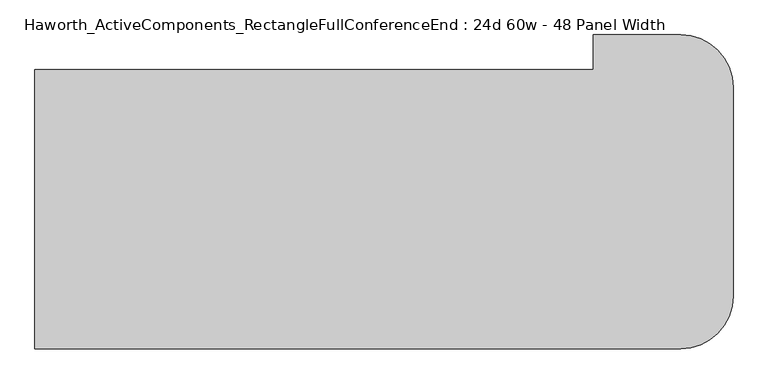
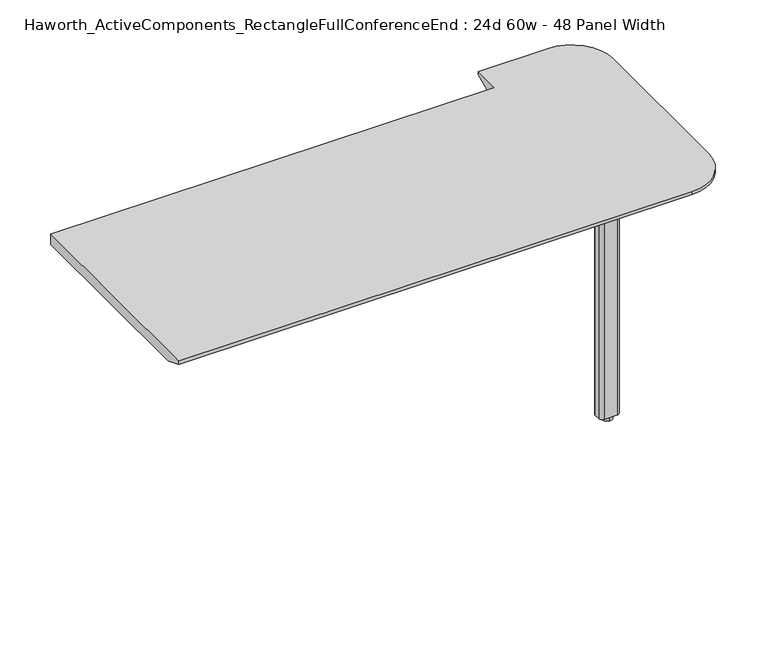
"""IFC4 building model written with IfcOpenShell, lengths in millimetres: furniture geometry, Haworth_ActiveComponents_RectangleFullConferenceEnd : 24d 60w - 48 Panel Width."""

from ifc_helpers import new_model, si_unit, point, frame, frame_2d, origin, origin_with_axes, place, context, project, spatial, polyline, circle_curve, trimmed, segment, composite_curve, outline, extrude, source, transform, mapped, element, save
from ifc_brep_helpers import plane_surface, cylinder_surface, revolved_surface, advanced_brep


def haworth_activecomponents_rectanglefullconferenceend_24d_60w_68f06d65(model_context):
    return source(origin(), model_context, "Body", "SolidModel", [
        extrude(outline(composite_curve([segment(trimmed(circle_curve(frame_2d((910.43125, -234.6784766)), 9.525), [point((900.90625, -234.6784766))], [point((910.43125, -225.1534766))], False, "CARTESIAN"), True, "CONTINUOUS"), segment(polyline([(910.43125, -225.1534766), (1043.78125, -225.1534766)]), True, "CONTINUOUS"), segment(trimmed(circle_curve(frame_2d((1043.78125, -234.6784766)), 9.525), [point((1043.78125, -225.1534766))], [point((1053.30625, -234.6784766))], False, "CARTESIAN"), True, "CONTINUOUS"), segment(polyline([(1053.30625, -234.6784766), (1053.30625, -368.0284766)]), True, "CONTINUOUS"), segment(trimmed(circle_curve(frame_2d((1043.78125, -368.0284766)), 9.525), [point((1053.30625, -368.0284766))], [point((1043.78125, -377.5534766))], False, "CARTESIAN"), True, "CONTINUOUS"), segment(polyline([(1043.78125, -377.5534766), (910.43125, -377.5534766)]), True, "CONTINUOUS"), segment(trimmed(circle_curve(frame_2d((910.43125, -368.0284766)), 9.525), [point((910.43125, -377.5534766))], [point((900.90625, -368.0284766))], False, "CARTESIAN"), True, "CONTINUOUS"), segment(polyline([(900.90625, -368.0284766), (900.90625, -234.6784766)]), True, "CONTINUOUS")], self_intersect=False)), frame((0.0, 0.0, 706.4375), z_axis=(0.0, 0.0, 1.0), x_axis=(1.0, 0.0, 0.0)), (0.0, 0.0, 1.0), 4.7625),
        extrude(outline(composite_curve([segment(trimmed(circle_curve(frame_2d((977.10625, -301.3534766)), 13.6023831), [point((977.10625, -314.9558596))], [point((977.10625, -287.7510935))], False, "CARTESIAN"), True, "CONTINUOUS"), segment(trimmed(circle_curve(frame_2d((977.10625, -301.3534766)), 13.6023831), [point((977.10625, -287.7510935))], [point((977.10625, -314.9558596))], False, "CARTESIAN"), True, "CONTINUOUS")], self_intersect=False)), origin_with_axes(), (0.0, 0.0, 1.0), 12.7),
        extrude(outline(composite_curve([segment(trimmed(circle_curve(frame_2d((958.85, -293.4159766)), 9.525), [point((949.325, -293.4159766))], [point((958.85, -283.8909766))], False, "CARTESIAN"), True, "CONTINUOUS"), segment(polyline([(958.85, -283.8909766), (995.3625, -283.8909766)]), True, "CONTINUOUS"), segment(trimmed(circle_curve(frame_2d((995.3625, -293.4159766)), 9.525), [point((995.3625, -283.8909766))], [point((1004.8875, -293.4159766))], False, "CARTESIAN"), True, "CONTINUOUS"), segment(polyline([(1004.8875, -293.4159766), (1004.8875, -309.2909766)]), True, "CONTINUOUS"), segment(trimmed(circle_curve(frame_2d((995.3625, -309.2909766)), 9.525), [point((1004.8875, -309.2909766))], [point((995.3625, -318.8159766))], False, "CARTESIAN"), True, "CONTINUOUS"), segment(polyline([(995.3625, -318.8159766), (958.85, -318.8159766)]), True, "CONTINUOUS"), segment(trimmed(circle_curve(frame_2d((958.85, -309.2909766)), 9.525), [point((958.85, -318.8159766))], [point((949.325, -309.2909766))], False, "CARTESIAN"), True, "CONTINUOUS"), segment(polyline([(949.325, -309.2909766), (949.325, -293.4159766)]), True, "CONTINUOUS")], self_intersect=False)), frame((0.0, 0.0, 12.7), z_axis=(0.0, 0.0, 1.0), x_axis=(1.0, 0.0, 0.0)), (0.0, 0.0, 1.0), 693.7375),
        advanced_brep(
        [(901.7, 105.0465234, 741.3625), (-317.5, 105.0465234, 741.3625), (-317.5, -504.5534766, 741.3625), (1092.2, -504.5534766, 741.3625), (1206.5, -390.2534766, 741.3625), (1206.5, 66.9465234, 741.3625), (1092.2, 181.2465234, 741.3625), (901.7, 181.2465234, 741.3625), (-317.5, 105.0465234, 711.2), (901.7, 105.0465234, 711.2), (901.7, 130.4465234, 711.2), (1092.2, 130.4465234, 711.2), (1155.7, 66.9465234, 711.2), (1155.7, -390.2534766, 711.2), (1092.2, -453.7534766, 711.2), (-317.5, -453.7534766, 711.2), (-317.5, -504.5534766, 731.8375), (1092.2, -504.5534766, 731.8375), (1206.5, -390.2534766, 731.8375), (1206.5, 66.9465234, 731.8375), (1092.2, 181.2465234, 731.8375), (901.7, 181.2465234, 731.8375)],
        [
            (0, 1),
            (1, 2),
            (2, 3),
            (3, 4, circle_curve(frame((1092.2, -390.2534766, 741.3625), z_axis=(0.0, 0.0, 1.0), x_axis=(1.0, 0.0, 0.0)), 114.3)),
            (4, 5),
            (5, 6, circle_curve(frame((1092.2, 66.9465234, 741.3625), z_axis=(0.0, 0.0, 1.0), x_axis=(1.0, 0.0, 0.0)), 114.3)),
            (6, 7),
            (7, 0),
            (8, 9),
            (9, 10),
            (10, 11),
            (11, 12, circle_curve(frame((1092.2, 66.9465234, 711.2), z_axis=(0.0, 0.0, -1.0), x_axis=(1.0, 0.0, 0.0)), 63.5)),
            (12, 13),
            (13, 14, circle_curve(frame((1092.2, -390.2534766, 711.2), z_axis=(0.0, 0.0, -1.0), x_axis=(0.0, -1.0, 0.0)), 63.5)),
            (14, 15),
            (15, 8),
            (0, 9),
            (8, 1),
            (15, 16),
            (16, 2),
            (16, 17),
            (17, 3),
            (4, 18),
            (18, 19),
            (19, 5),
            (17, 18, circle_curve(frame((1092.2, -390.2534766, 731.8375), z_axis=(0.0, 0.0, 1.0), x_axis=(1.0, 0.0, 0.0)), 114.3)),
            (6, 20),
            (20, 21),
            (21, 7),
            (21, 10),
            (14, 17),
            (13, 18),
            (12, 19),
            (11, 20),
            (20, 19, circle_curve(frame((1092.2, 66.9465234, 731.8375), z_axis=(0.0, 0.0, -1.0), x_axis=(1.0, 0.0, 0.0)), 114.3)),
        ],
        [
            plane_surface(frame((-317.5, 105.0465234, 741.3625), z_axis=(0.0, 0.0, 1.0), x_axis=(-1.0, 0.0, 0.0))),
            plane_surface(frame((-317.5, 105.0465234, 711.2), z_axis=(0.0, 0.0, -1.0), x_axis=(1.0, 0.0, 0.0))),
            plane_surface(frame((901.7, 105.0465234, 741.3625), z_axis=(0.0, 1.0, 0.0), x_axis=(0.0, 0.0, -1.0))),
            plane_surface(frame((-317.5, 105.0465234, 741.3625), z_axis=(-1.0, 0.0, 0.0), x_axis=(0.0, 0.0, -1.0))),
            plane_surface(frame((-317.5, -504.5534766, 741.3625), z_axis=(0.0, -1.0, 0.0), x_axis=(0.0, 0.0, -1.0))),
            plane_surface(frame((1206.5, -390.2534766, 741.3625), z_axis=(1.0, 0.0, 0.0), x_axis=(0.0, 0.0, -1.0))),
            cylinder_surface(frame((1092.2, -390.2534766, 711.2), z_axis=(0.0, 0.0, 1.0), x_axis=(1.0, 0.0, 0.0)), 114.3),
            plane_surface(frame((1092.2, 181.2465234, 741.3625), z_axis=(0.0, 1.0, 0.0), x_axis=(0.0, 0.0, -1.0))),
            plane_surface(frame((901.7, 181.2465234, 741.3625), z_axis=(-1.0, 0.0, 0.0), x_axis=(0.0, 0.0, -1.0))),
            plane_surface(frame((-317.5, -504.5534766, 731.8375), z_axis=(0.0, -0.3763770469576607, -0.9264665771216094), x_axis=(1.0, 0.0, 0.0))),
            revolved_surface(polyline([(1092.2, -453.7534766, 711.2), (1092.2, -504.5534766, 731.8375)]), (1092.2, -390.2534766, 0.0), (0.0, 0.0, 1.0)),
            plane_surface(frame((1206.5, -390.2534766, 731.8375), z_axis=(0.3763770469576607, 0.0, -0.9264665771216094), x_axis=(0.0, 1.0, 0.0))),
            revolved_surface(polyline([(1155.7, 66.9465234, 711.2), (1206.5, 66.9465234, 731.8375)]), (1092.2, 66.9465234, 0.0), (0.0, 0.0, 1.0)),
            plane_surface(frame((1092.2, 181.2465234, 731.8375), z_axis=(0.0, 0.3763770469576607, -0.9264665771216094), x_axis=(-1.0, 0.0, 0.0))),
            cylinder_surface(frame((1092.2, 66.9465234, 711.2), z_axis=(0.0, 0.0, 1.0), x_axis=(1.0, 0.0, 0.0)), 114.3),
        ],
        [
            (0, [[1, 2, 3, 4, 5, 6, 7, 8]]),
            (1, [[9, 10, 11, 12, 13, 14, 15, 16]]),
            (2, [[-1, 17, -9, 18]]),
            (3, [[-2, -18, -16, 19, 20]]),
            (4, [[-3, -20, 21, 22]]),
            (5, [[-5, 23, 24, 25]]),
            (6, [[-4, -22, 26, -23]]),
            (7, [[-7, 27, 28, 29]]),
            (8, [[-8, -29, 30, -10, -17]]),
            (9, [[31, -21, -19, -15]]),
            (10, [[-31, -14, 32, -26]]),
            (11, [[-32, -13, 33, -24]]),
            (12, [[-33, -12, 34, 35]]),
            (13, [[-34, -11, -30, -28]]),
            (14, [[-6, -25, -35, -27]]),
        ],
    ),
    ])


if __name__ == "__main__":
    model = new_model("IFC4")
    model_context = context("Model", 3, world=origin())
    ifc_project = project(units=[si_unit("LENGTHUNIT", "METRE", prefix="MILLI")], contexts=[model_context])
    site = spatial("IfcSite", under=ifc_project)
    building = spatial("IfcBuilding", under=site)
    placement = place(None, origin())
    haworth_activecomponents_rectanglefullconferenceend_24d_60w_shape = haworth_activecomponents_rectanglefullconferenceend_24d_60w_68f06d65(model_context)
    element("IfcFurniture", 1, ObjectType="Haworth_ActiveComponents_RectangleFullConferenceEnd : 24d 60w - 48 Panel Width", at=placement, inside=building, context=model_context, shape_type="MappedRepresentation", body=[
        mapped(haworth_activecomponents_rectanglefullconferenceend_24d_60w_shape, transform((0.0, 0.0, 0.0), x_axis=(1.0, 0.0, 0.0), y_axis=(0.0, 1.0, 0.0), z_axis=(0.0, 0.0, 1.0))),
    ])
    save(model, "model.ifc")
